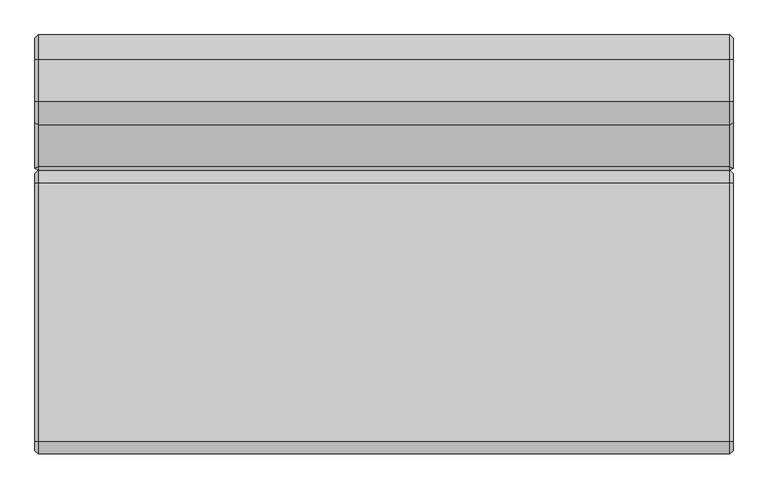
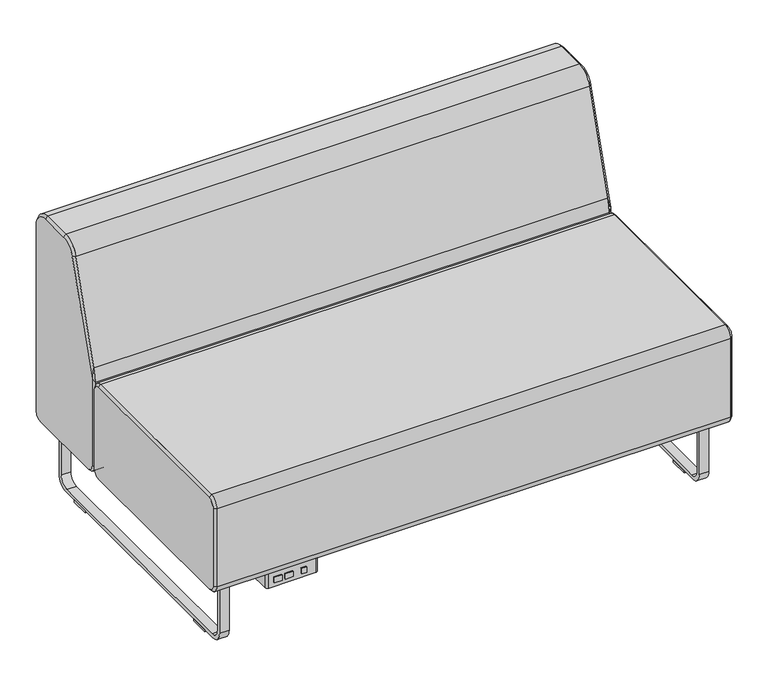
"""IFC4 building model written with IfcOpenShell, lengths in millimetres: furniture geometry."""

import ifcopenshell
import ifcopenshell.guid

model = None  # the IFC model being written
_history = None  # IfcOwnerHistory: only IFC2X3 demands one
_inside = {}  # id of a spatial element -> (the spatial element, [elements in it])
_under = {}  # id of a project, library or spatial element -> (it, [spatial elements below it])
_declared = {}  # id of a project -> (the project, [libraries it declares])
_typed = {}  # id of a type object -> (the type object, [elements of that type])
_made_of = {}  # id of a material, layer set ... -> (it, [elements and type objects made of it])


def new_model(schema):
    """Start an empty IFC model of exactly this schema.

    Asked for "IFC4X3", IfcOpenShell would pick the latest addendum, in which some entities
    have other attributes; the version numbers below select the first issue.
    IFC2X3 requires an IfcOwnerHistory on every rooted entity: one is made here for all.
    """
    global model, _history
    if schema == "IFC4X3":
        model = ifcopenshell.file(schema_version=(4, 3, 0, 0))
    else:
        model = ifcopenshell.file(schema=schema)
    _inside.clear()
    _under.clear()
    _declared.clear()
    _typed.clear()
    _made_of.clear()
    _history = None
    if model.schema == "IFC2X3":
        org = make("IfcOrganization", Name="unknown")
        user = make(
            "IfcPersonAndOrganization",
            ThePerson=make("IfcPerson", FamilyName="unknown"),
            TheOrganization=org,
        )
        app = make(
            "IfcApplication",
            ApplicationDeveloper=org,
            Version="unknown",
            ApplicationFullName="unknown",
            ApplicationIdentifier="unknown",
        )
        _history = make(
            "IfcOwnerHistory",
            OwningUser=user,
            OwningApplication=app,
            ChangeAction="ADDED",
            CreationDate=0,
        )
    return model


def make(cls, **values):
    """One entity of the class cls with the attributes given. An attribute that is None is left unset."""
    return model.create_entity(
        cls, **{name: value for name, value in values.items() if value is not None}
    )


def rooted(cls, **values):
    """An entity with a GlobalId (a new one), such as an element, a storey or a relation."""
    return make(cls, GlobalId=ifcopenshell.guid.new(), OwnerHistory=_history, **values)


def si_unit(unit_type, name, prefix=None):
    """IfcSIUnit, for example si_unit("LENGTHUNIT", "METRE", prefix="MILLI")."""
    return make("IfcSIUnit", UnitType=unit_type, Prefix=prefix, Name=name)


def assignment(units):
    """IfcUnitAssignment: the units of a project."""
    return None if units is None else make("IfcUnitAssignment", Units=units)


def point(xyz):
    """IfcCartesianPoint."""
    return None if xyz is None else make("IfcCartesianPoint", Coordinates=xyz)


def direction(xyz):
    """IfcDirection."""
    return None if xyz is None else make("IfcDirection", DirectionRatios=xyz)


def frame(location, z_axis=None, x_axis=None):
    """IfcAxis2Placement3D, a coordinate frame: its origin and axes. An axis left out is left unset."""
    return make(
        "IfcAxis2Placement3D",
        Location=point(location),
        Axis=direction(z_axis),
        RefDirection=direction(x_axis),
    )


def frame_2d(location, x_axis=None):
    """IfcAxis2Placement2D, a coordinate frame in the plane: its origin and x axis."""
    return make(
        "IfcAxis2Placement2D", Location=point(location), RefDirection=direction(x_axis)
    )


def origin():
    """The frame at (0, 0, 0) with its axes left unset."""
    return frame((0.0, 0.0, 0.0))


def origin_with_axes():
    """The frame at (0, 0, 0) with the z axis (0, 0, 1) and the x axis (1, 0, 0) written out."""
    return frame((0.0, 0.0, 0.0), z_axis=(0.0, 0.0, 1.0), x_axis=(1.0, 0.0, 0.0))


def place(relative_to, where):
    """IfcLocalPlacement: puts the frame where relative to a parent placement (None: the world)."""
    return make(
        "IfcLocalPlacement", PlacementRelTo=relative_to, RelativePlacement=where
    )


def context(
    kind, dimensions, precision=None, world=None, true_north=None, identifier=None
):
    """IfcGeometricRepresentationContext, for example the 3D "Model" context."""
    return make(
        "IfcGeometricRepresentationContext",
        ContextIdentifier=identifier,
        ContextType=kind,
        CoordinateSpaceDimension=dimensions,
        Precision=precision,
        WorldCoordinateSystem=world,
        TrueNorth=true_north,
    )


def project(units=None, contexts=None):
    """IfcProject with its units and contexts."""
    return rooted(
        "IfcProject",
        Name="project",
        RepresentationContexts=contexts,
        UnitsInContext=assignment(units),
    )


def spatial(cls, under=None, at=None, **own):
    """A site, building, storey or space (cls), placed at a placement, below another one or the project."""
    s = rooted(cls, ObjectPlacement=at, **own)
    if under is not None:
        _under.setdefault(under.id(), (under, []))[1].append(s)
    return s


def polyline(points):
    """IfcPolyline through the points."""
    return make("IfcPolyline", Points=[point(p) for p in points])


def circle_curve(where, radius):
    """IfcCircle in the frame where."""
    return make("IfcCircle", Position=where, Radius=radius)


def trimmed(basis, trim1, trim2, sense, master):
    """IfcTrimmedCurve: the piece of a basis curve between two trims."""
    return make(
        "IfcTrimmedCurve",
        BasisCurve=basis,
        Trim1=trim1,
        Trim2=trim2,
        SenseAgreement=sense,
        MasterRepresentation=master,
    )


def segment(curve, same_sense, transition):
    """IfcCompositeCurveSegment."""
    return make(
        "IfcCompositeCurveSegment",
        Transition=transition,
        SameSense=same_sense,
        ParentCurve=curve,
    )


def composite_curve(segments, self_intersect=None):
    """IfcCompositeCurve: segments joined end to end."""
    return make("IfcCompositeCurve", Segments=segments, SelfIntersect=self_intersect)


def outline(outer, holes=None, kind="AREA"):
    """IfcArbitraryClosedProfileDef: a profile drawn as a closed curve; with holes, ...WithVoids."""
    if holes is None:
        return make("IfcArbitraryClosedProfileDef", ProfileType=kind, OuterCurve=outer)
    return make(
        "IfcArbitraryProfileDefWithVoids",
        ProfileType=kind,
        OuterCurve=outer,
        InnerCurves=holes,
    )


def extrude(swept, where, along, depth):
    """IfcExtrudedAreaSolid: the profile swept, set in the frame where, extruded along a direction by depth."""
    return make(
        "IfcExtrudedAreaSolid",
        SweptArea=swept,
        Position=where,
        ExtrudedDirection=direction(along),
        Depth=depth,
    )


def shape(context_of_items, identifier, shape_type, items):
    """IfcShapeRepresentation: the items that make up one representation, for example the "Body"."""
    return make(
        "IfcShapeRepresentation",
        ContextOfItems=context_of_items,
        RepresentationIdentifier=identifier,
        RepresentationType=shape_type,
        Items=items,
    )


def source(mapping_origin, context_of_items, identifier, shape_type, items):
    """IfcRepresentationMap: a shape defined once, which mapped items show again and again."""
    return make(
        "IfcRepresentationMap",
        MappingOrigin=mapping_origin,
        MappedRepresentation=shape(context_of_items, identifier, shape_type, items),
    )


def transform(
    local_origin,
    x_axis=None,
    y_axis=None,
    z_axis=None,
    scale=None,
    scale2=None,
    scale3=None,
    uniform=True,
):
    """IfcCartesianTransformationOperator3D, or its non-uniform kind. x_axis, y_axis, z_axis: its Axis1, 2, 3."""
    if uniform:
        return make(
            "IfcCartesianTransformationOperator3D",
            Axis1=direction(x_axis),
            Axis2=direction(y_axis),
            LocalOrigin=point(local_origin),
            Scale=scale,
            Axis3=direction(z_axis),
        )
    return make(
        "IfcCartesianTransformationOperator3DnonUniform",
        Axis1=direction(x_axis),
        Axis2=direction(y_axis),
        LocalOrigin=point(local_origin),
        Scale=scale,
        Axis3=direction(z_axis),
        Scale2=scale2,
        Scale3=scale3,
    )


def mapped(mapping_source, mapping_target):
    """IfcMappedItem: shows the shape of a source again, moved by a transform."""
    return make(
        "IfcMappedItem", MappingSource=mapping_source, MappingTarget=mapping_target
    )


def made_of(thing, what):
    """Note that an element or type object is made of a material, layer set ...; save() writes the relation."""
    if what is not None:
        _made_of.setdefault(what.id(), (what, []))[1].append(thing)
    return thing


def element(
    cls,
    number,
    at=None,
    inside=None,
    cuts=None,
    type_object=None,
    material=None,
    context=None,
    identifier="Body",
    shape_type=None,
    held_by="IfcProductDefinitionShape",
    body=None,
    shapes=None,
    **own,
):
    """One element of the class cls, such as IfcWall. Its Tag is "e" and its number.

    at: its placement. inside: the storey or other place that contains it. cuts: it is an
    opening in that element (IfcRelVoidsElement). A single representation is given by context,
    identifier, shape_type and body (its items); several are given by shapes. held_by: the class
    of the entity that holds the representations. save() writes the other relations.
    """
    e = rooted(cls, Tag="e%d" % number, ObjectPlacement=at, **own)
    if body is not None:
        shapes = [shape(context, identifier, shape_type, body)]
    if shapes is not None:
        e.Representation = make(held_by, Representations=shapes)
    if inside is not None:
        _inside.setdefault(inside.id(), (inside, []))[1].append(e)
    if cuts is not None:
        rooted(
            "IfcRelVoidsElement", RelatingBuildingElement=cuts, RelatedOpeningElement=e
        )
    if type_object is not None:
        _typed.setdefault(type_object.id(), (type_object, []))[1].append(e)
    return made_of(e, material)


def aggregate(whole, parts):
    """IfcRelAggregates: a whole, such as a stair, and the parts it consists of."""
    return rooted("IfcRelAggregates", RelatingObject=whole, RelatedObjects=parts)


def save(model, path):
    """Write the relations noted so far, then the file.

    IfcRelAggregates (storeys below a building ...), IfcRelContainedInSpatialStructure (elements
    in a storey), IfcRelDefinesByType, IfcRelAssociatesMaterial and IfcRelDeclares: one each for
    every whole, place, type object, material and project.
    """
    for whole, parts in _under.values():
        aggregate(whole, parts)
    for where, things in _inside.values():
        rooted(
            "IfcRelContainedInSpatialStructure",
            RelatedElements=things,
            RelatingStructure=where,
        )
    for kind, things in _typed.values():
        rooted("IfcRelDefinesByType", RelatedObjects=things, RelatingType=kind)
    for what, things in _made_of.values():
        rooted("IfcRelAssociatesMaterial", RelatedObjects=things, RelatingMaterial=what)
    for by, libraries in _declared.values():
        rooted("IfcRelDeclares", RelatingContext=by, RelatedDefinitions=libraries)
    model.write(path)


def plane_surface(at):
    """IfcPlane: the flat surface through the origin of the frame at, square to its z axis."""
    return make("IfcPlane", Position=at)


def revolved_surface(curve, axis_point, axis_direction):
    """IfcSurfaceOfRevolution: the curve turned about the line through axis_point along axis_direction."""
    return make(
        "IfcSurfaceOfRevolution",
        SweptCurve=make("IfcArbitraryOpenProfileDef", ProfileType="CURVE", Curve=curve),
        AxisPosition=make("IfcAxis1Placement", Location=point(axis_point), Axis=direction(axis_direction)),
    )


def spline_surface(u_degree, v_degree, points, u_multiplicities, v_multiplicities, u_knots, v_knots, weights=None):
    """IfcBSplineSurfaceWithKnots; with weights, IfcRationalBSplineSurfaceWithKnots. points: one row for each step in u."""
    own = dict(
        UDegree=u_degree,
        VDegree=v_degree,
        ControlPointsList=[[point(p) for p in row] for row in points],
        SurfaceForm="UNSPECIFIED",
        UClosed=False,
        VClosed=False,
        SelfIntersect=False,
        UMultiplicities=u_multiplicities,
        VMultiplicities=v_multiplicities,
        UKnots=u_knots,
        VKnots=v_knots,
        KnotSpec="UNSPECIFIED",
    )
    if weights is None:
        return make("IfcBSplineSurfaceWithKnots", **own)
    return make("IfcRationalBSplineSurfaceWithKnots", WeightsData=weights, **own)


def advanced_brep(points, edges, surfaces, faces):
    """IfcAdvancedBrep: a solid bounded by faces that lie on surfaces and meet in shared edges.

    An edge is (start, end): straight between two places in points (the first is 0);
    or (start, end, curve); or (start, end, curve, False) where it runs against its curve.
    A face is (place in surfaces, loops), or (place, loops, False) where it looks against
    its surface's normal. A loop lists edges by number (the first is 1), with a minus sign
    where the edge is run from its end to its start. The first loop is the outer one.
    """
    corners = [point(p) for p in points]
    vertices = [make("IfcVertexPoint", VertexGeometry=c) for c in corners]
    made = []
    for start, end, *more in edges:
        made.append(
            make(
                "IfcEdgeCurve",
                EdgeStart=vertices[start],
                EdgeEnd=vertices[end],
                EdgeGeometry=more[0] if more else make("IfcPolyline", Points=[corners[start], corners[end]]),
                SameSense=more[1] if len(more) > 1 else True,
            )
        )
    hull = []
    for where, loops, *sense in faces:
        bounds = []
        for j, loop in enumerate(loops):
            ring = [make("IfcOrientedEdge", EdgeElement=made[abs(k) - 1], Orientation=k > 0) for k in loop]
            bounds.append(
                make(
                    "IfcFaceOuterBound" if j == 0 else "IfcFaceBound",
                    Bound=make("IfcEdgeLoop", EdgeList=ring),
                    Orientation=True,
                )
            )
        hull.append(make("IfcAdvancedFace", Bounds=bounds, FaceSurface=surfaces[where], SameSense=sense[0] if sense else True))
    return make("IfcAdvancedBrep", Outer=make("IfcClosedShell", CfsFaces=hull))


def furniture_0206cb96(model_context):
    return source(origin(), model_context, "Body", "SolidModel", [
        extrude(outline(polyline([(-780.0135905, -367.8609794), (-793.8184165, -367.8609794), (-793.8184165, -364.6859794), (-780.0135905, -364.6859794), (-780.0135905, -367.8609794)])), frame((0.0, 0.0, 148.4693805), z_axis=(0.0, 0.0, 1.0), x_axis=(1.0, 0.0, 0.0)), (0.0, 0.0, 1.0), 15.3288336),
        extrude(outline(polyline([(-816.1260038, -367.8609794), (-837.5402709, -367.8609794), (-837.5402709, -364.6859794), (-816.1260038, -364.6859794), (-816.1260038, -367.8609794)])), frame((0.0, 0.0, 148.4693805), z_axis=(0.0, 0.0, 1.0), x_axis=(1.0, 0.0, 0.0)), (0.0, 0.0, 1.0), 15.3288336),
        extrude(outline(polyline([(-846.3520036, -367.8609794), (-867.2562055, -367.8609794), (-867.2562055, -364.6859794), (-846.3520036, -364.6859794), (-846.3520036, -367.8609794)])), frame((0.0, 0.0, 148.4693805), z_axis=(0.0, 0.0, 1.0), x_axis=(1.0, 0.0, 0.0)), (0.0, 0.0, 1.0), 15.3288336),
        extrude(outline(composite_curve([segment(trimmed(circle_curve(frame_2d((-748.5937537, -295.6297294)), 0.79375), [point((-748.5937537, -294.8359794))], [point((-747.8000037, -295.6297294))], False, "CARTESIAN"), True, "CONTINUOUS"), segment(polyline([(-747.8000037, -295.6297294), (-747.8000037, -358.3359794)]), True, "CONTINUOUS"), segment(trimmed(circle_curve(frame_2d((-754.1500037, -358.3359794)), 6.35), [point((-747.8000037, -358.3359794))], [point((-754.1500037, -364.6859794))], False, "CARTESIAN"), True, "CONTINUOUS"), segment(polyline([(-754.1500037, -364.6859794), (-881.1500037, -364.6859794)]), True, "CONTINUOUS"), segment(trimmed(circle_curve(frame_2d((-881.1500037, -358.3359794)), 6.35), [point((-881.1500037, -364.6859794))], [point((-887.5000037, -358.3359794))], False, "CARTESIAN"), True, "CONTINUOUS"), segment(polyline([(-887.5000037, -358.3359794), (-887.5000037, -295.6297294)]), True, "CONTINUOUS"), segment(trimmed(circle_curve(frame_2d((-886.7062537, -295.6297294)), 0.79375), [point((-887.5000037, -295.6297294))], [point((-886.7062537, -294.8359794))], False, "CARTESIAN"), True, "CONTINUOUS"), segment(polyline([(-886.7062537, -294.8359794), (-748.5937537, -294.8359794)]), True, "CONTINUOUS")], self_intersect=False)), frame((0.0, 0.0, 136.525), z_axis=(0.0, 0.0, 1.0), x_axis=(1.0, 0.0, 0.0)), (0.0, 0.0, 1.0), 44.45),
        extrude(outline(composite_curve([segment(trimmed(circle_curve(frame_2d((-738.2750037, -304.3609794)), 3.175), [point((-738.2750037, -301.1859794))], [point((-735.1000037, -304.3609794))], False, "CARTESIAN"), True, "CONTINUOUS"), segment(polyline([(-735.1000037, -304.3609794), (-735.1000037, -355.1609794)]), True, "CONTINUOUS"), segment(trimmed(circle_curve(frame_2d((-738.2750037, -355.1609794)), 3.175), [point((-735.1000037, -355.1609794))], [point((-738.2750037, -358.3359794))], False, "CARTESIAN"), True, "CONTINUOUS"), segment(polyline([(-738.2750037, -358.3359794), (-897.0250037, -358.3359794)]), True, "CONTINUOUS"), segment(trimmed(circle_curve(frame_2d((-897.0250037, -355.1609794)), 3.175), [point((-897.0250037, -358.3359794))], [point((-900.2000037, -355.1609794))], False, "CARTESIAN"), True, "CONTINUOUS"), segment(polyline([(-900.2000037, -355.1609794), (-900.2000037, -304.3609794)]), True, "CONTINUOUS"), segment(trimmed(circle_curve(frame_2d((-897.0250037, -304.3609794)), 3.175), [point((-900.2000037, -304.3609794))], [point((-897.0250037, -301.1859794))], False, "CARTESIAN"), True, "CONTINUOUS"), segment(polyline([(-897.0250037, -301.1859794), (-738.2750037, -301.1859794)]), True, "CONTINUOUS")], self_intersect=False)), frame((0.0, 0.0, 180.975), z_axis=(0.0, 0.0, 1.0), x_axis=(1.0, 0.0, 0.0)), (0.0, 0.0, 1.0), 3.175),
        advanced_brep(
        [(-1041.4, 151.6980231, 450.85), (-1041.4, 170.7480231, 431.8), (-1041.4, 170.7480231, 209.55), (-1041.4, 151.6980231, 190.5), (-1041.4, -364.6859794, 190.5), (-1041.4, -383.7359794, 209.55), (-1041.4, -383.7359794, 431.8), (-1041.4, -364.6859794, 450.85), (-1035.05, 151.6980231, 457.2), (-1035.05, -364.6859794, 457.2), (-1035.05, -390.0859794, 431.8), (-1035.05, -390.0859794, 209.55), (-1035.05, -364.6859794, 184.15), (-1035.05, 151.6980231, 184.15), (-1035.05, 177.0980231, 209.55), (-1035.05, 177.0980231, 431.8)],
        [
            (0, 1, circle_curve(frame((-1041.4, 151.6980231, 431.8), z_axis=(-1.0, -2.768452134205448e-12, 0.0), x_axis=(0.0, 0.0, 1.0)), 19.05)),
            (1, 2),
            (2, 3, circle_curve(frame((-1041.4, 151.6980231, 209.55), z_axis=(-1.0, -3.1921132404024314e-12, 0.0), x_axis=(-3.1921549777551463e-12, 1.0, 0.0)), 19.05)),
            (3, 4),
            (4, 5, circle_curve(frame((-1041.4, -364.6859794, 209.55), z_axis=(-1.0, 0.0, 0.0), x_axis=(0.0, 0.0, -1.0)), 19.05)),
            (5, 6),
            (6, 7, circle_curve(frame((-1041.4, -364.6859794, 431.8), z_axis=(-1.0, 0.0, 0.0), x_axis=(0.0, -1.0, 0.0)), 19.05)),
            (7, 0),
            (8, 9),
            (9, 10, circle_curve(frame((-1035.05, -364.6859794, 431.8), z_axis=(1.0, 0.0, 0.0), x_axis=(0.0, -1.0, 0.0)), 25.4)),
            (10, 11),
            (11, 12, circle_curve(frame((-1035.05, -364.6859794, 209.55), z_axis=(1.0, 0.0, 0.0), x_axis=(0.0, 0.0, -1.0)), 25.4)),
            (12, 13),
            (13, 14, circle_curve(frame((-1035.05, 151.6980231, 209.55), z_axis=(1.0, 3.1921132404024314e-12, 0.0), x_axis=(-3.1921549777551463e-12, 1.0, 0.0)), 25.4)),
            (14, 15),
            (15, 8, circle_curve(frame((-1035.05, 151.6980231, 431.8), z_axis=(1.0, 2.768452134205448e-12, 0.0), x_axis=(0.0, 0.0, 1.0)), 25.4)),
            (14, 2),
            (1, 15),
            (12, 4),
            (3, 13),
            (10, 6),
            (5, 11),
            (8, 0),
            (7, 9),
        ],
        [
            plane_surface(frame((-1041.4, -106.4939782, 320.675), z_axis=(-1.0, 0.0, 0.0), x_axis=(0.0, 1.0, 0.0))),
            plane_surface(frame((-1035.05, -106.4939782, 320.675), z_axis=(1.0, 0.0, 0.0), x_axis=(0.0, 1.0, 0.0))),
            plane_surface(frame((-1035.05, 177.0980231, 320.675), z_axis=(-0.7071067811876215, 0.7071067811854735, 0.0), x_axis=(0.0, 0.0, -1.0))),
            plane_surface(frame((-1035.05, -106.4939782, 184.15), z_axis=(-0.7071067811863855, 0.0, -0.7071067811867096), x_axis=(0.0, -1.0, 0.0))),
            plane_surface(frame((-1035.05, -390.0859794, 320.675), z_axis=(-0.7071067811866266, -0.7071067811864684, 0.0), x_axis=(0.0, 0.0, 1.0))),
            plane_surface(frame((-1035.05, -106.4939782, 457.2), z_axis=(-0.7071067811865928, 0.0, 0.7071067811865024), x_axis=(0.0, 1.0, 0.0))),
            revolved_surface(polyline([(-1041.4, 151.6980231, 450.8499999999999), (-1035.0499999999297, 151.6980231, 457.2000000000703)]), (-1060.45, 151.6980231, 431.8), (1.0, 2.768452134205448e-12, 0.0)),
            revolved_surface(polyline([(-1041.4000000000608, 170.74802309993908, 209.55), (-1035.05, 177.0980231, 209.55)]), (-1060.45, 151.6980231, 209.55), (1.0, 3.1921132404024314e-12, 0.0)),
            revolved_surface(polyline([(-1041.4, -364.6859794, 190.5000000000001), (-1035.05, -364.6859794, 184.15)]), (-1060.45, -364.6859794, 209.55), (1.0, 0.0, 0.0)),
            revolved_surface(polyline([(-1041.4, -383.7359793999999, 431.8), (-1035.05, -390.0859794, 431.8)]), (-1060.45, -364.6859794, 431.8), (1.0, 0.0, 0.0)),
        ],
        [
            (0, [[1, 2, 3, 4, 5, 6, 7, 8]]),
            (1, [[9, 10, 11, 12, 13, 14, 15, 16]]),
            (2, [[-15, 17, -2, 18]]),
            (3, [[-13, 19, -4, 20]]),
            (4, [[-11, 21, -6, 22]]),
            (5, [[-9, 23, -8, 24]]),
            (6, [[-16, -18, -1, -23]]),
            (7, [[-14, -20, -3, -17]]),
            (8, [[-12, -22, -5, -19]]),
            (9, [[-10, -24, -7, -21]]),
        ],
    ),
        advanced_brep(
        [(355.6, 398.1140214, 781.05), (355.6, 315.3219472, 781.05), (355.6, 273.6633925, 750.4487484), (355.6, 181.6267453, 456.75942), (355.6, 181.6267453, 209.55), (355.6, 200.6767453, 190.5), (355.6, 422.7140206, 190.5), (355.6, 441.7640206, 209.55), (355.6, 441.7640206, 737.4000009), (349.25, 398.1140214, 787.4), (349.25, 448.1140206, 737.4000009), (349.25, 448.1140206, 209.55), (349.25, 422.7140206, 184.15), (349.25, 202.4980231, 184.15), (349.25, 177.0980231, 209.55), (349.25, 177.0980231, 448.1421227), (349.25, 183.8862715, 485.2041409), (349.25, 267.6039664, 752.3476572), (349.25, 315.3219472, 787.4)],
        [
            (0, 1),
            (1, 2, circle_curve(frame((355.6, 315.3219472, 737.39375), z_axis=(1.0, 0.0, 0.0), x_axis=(0.0, 0.0, 1.0)), 43.65625)),
            (2, 3),
            (3, 4),
            (4, 5, circle_curve(frame((355.6, 200.6767453, 209.55), z_axis=(1.0, 0.0, 0.0), x_axis=(0.0, -1.0, 0.0)), 19.05)),
            (5, 6),
            (6, 7, circle_curve(frame((355.6, 422.7140206, 209.55), z_axis=(1.0, -2.1103119252153097e-12, 3.346656285442461e-12), x_axis=(3.3466520756728202e-12, 0.0, -1.0)), 19.05)),
            (7, 8),
            (8, 0, circle_curve(frame((355.6, 398.1140214, 737.4000009), z_axis=(1.0, 2.2488677586890422e-12, 0.0), x_axis=(-2.2488434285652812e-12, 1.0, 0.0)), 43.6499991)),
            (9, 10, circle_curve(frame((349.25, 398.1140214, 737.4000009), z_axis=(-1.0, -2.2488677586890422e-12, 0.0), x_axis=(-2.2488434285652812e-12, 1.0, 0.0)), 49.9999991)),
            (10, 11),
            (11, 12, circle_curve(frame((349.25, 422.7140206, 209.55), z_axis=(-1.0, 2.1103119252153097e-12, -3.346656285442461e-12), x_axis=(3.3466520756728202e-12, 0.0, -1.0)), 25.4)),
            (12, 13),
            (13, 14, circle_curve(frame((349.25, 202.4980231, 209.55), z_axis=(-1.0, 0.0, 0.0), x_axis=(0.0, -1.0, 0.0)), 25.4)),
            (14, 15),
            (15, 16, circle_curve(frame((349.25, 330.963593, 439.112907), z_axis=(-1.0, 0.0, 0.0), x_axis=(0.0, -1.0, 0.0)), 154.1302707)),
            (16, 17),
            (17, 18, circle_curve(frame((349.25, 315.3219472, 737.39375), z_axis=(-1.0, 0.0, 0.0), x_axis=(0.0, 0.0, 1.0)), 50.00625)),
            (18, 9),
            (18, 1),
            (0, 9),
            (17, 2),
            (16, 3),
            (15, 3),
            (14, 4),
            (13, 5),
            (12, 6),
            (11, 7),
            (10, 8),
        ],
        [
            plane_surface(frame((355.6, 317.4746287, 478.534241), z_axis=(1.0, 0.0, 0.0), x_axis=(0.0, 0.0, 1.0))),
            plane_surface(frame((349.25, 304.0562338, 478.5293922), z_axis=(-1.0, 0.0, 0.0), x_axis=(0.0, 0.0, 1.0))),
            plane_surface(frame((349.25, 356.7179843, 787.4), z_axis=(0.7071067811879643, 0.0, 0.7071067811851307), x_axis=(0.0, -1.0, 0.0))),
            revolved_surface(polyline([(355.6, 315.3219472, 781.05), (349.25, 315.3219472, 787.4)]), (399.25625, 315.3219472, 737.39375), (-1.0, 0.0, 0.0)),
            plane_surface(frame((349.25, 225.745119, 618.7758991), z_axis=(0.707106781188229, -0.6747498133214669, 0.21145375243837036), x_axis=(0.0, -0.29904076451373696, -0.9542403372102018))),
            spline_surface(2, 1, [[(349.25, 183.8862715, 485.2041409), (355.6, 181.6267453, 456.75942)], [(349.25, 178.20999802483482, 467.09112836245816), (355.6, 181.6267453, 456.75942)], [(349.25, 177.0980231, 448.1421227), (355.6, 181.6267453, 456.75942)]], [3, 3], [2, 2], [0.0, 1.0], [0.0, 1.0], weights=[[1.0, 1.0], [0.9925018543197952, 0.9925018543197952], [1.0, 1.0]]),
            plane_surface(frame((349.25, 177.0980231, 328.8460613), z_axis=(0.5806444204862116, -0.8141572679514882, 0.0), x_axis=(0.0, 0.0, -1.0))),
            spline_surface(2, 1, [[(349.25, 177.0980231, 209.55), (355.6, 181.6267453, 209.55)], [(349.25, 177.0980231, 184.15), (355.6, 181.6267453, 190.50000000000003)], [(349.25, 202.4980231, 184.15), (355.6, 200.6767453, 190.5)]], [3, 3], [2, 2], [0.0, 1.0], [0.0, 1.0], weights=[[1.0, 1.0], [0.7071067811865476, 0.7071067811865476], [1.0, 1.0]]),
            plane_surface(frame((349.25, 312.6060218, 184.15), z_axis=(0.70710678118765, 0.0, -0.707106781185445), x_axis=(0.0, 1.0, 0.0))),
            revolved_surface(polyline([(355.6000000000638, 422.7140206, 190.50000000006378), (349.25, 422.7140206, 184.15)]), (374.65, 422.7140206, 209.55), (-1.0, 2.1103119252153097e-12, -3.346656285442461e-12)),
            plane_surface(frame((349.25, 448.1140206, 473.4750004), z_axis=(0.7071067811879643, 0.7071067811851307, 0.0), x_axis=(0.0, 0.0, 1.0))),
            revolved_surface(polyline([(355.6, 441.76402058729997, 737.4000009), (349.24999999988756, 448.11402060011244, 737.4000009)]), (399.2499991, 398.1140214, 737.4000009), (-1.0, -2.2488677586890422e-12, 0.0)),
        ],
        [
            (0, [[1, 2, 3, 4, 5, 6, 7, 8, 9]]),
            (1, [[10, 11, 12, 13, 14, 15, 16, 17, 18, 19]]),
            (2, [[-19, 20, -1, 21]]),
            (3, [[-18, 22, -2, -20]]),
            (4, [[-17, 23, -3, -22]]),
            (5, [[-16, 24, -23]]),
            (6, [[-15, 25, -4, -24]]),
            (7, [[-14, 26, -5, -25]]),
            (8, [[-13, 27, -6, -26]]),
            (9, [[-12, 28, -7, -27]]),
            (10, [[-11, 29, -8, -28]]),
            (11, [[-10, -21, -9, -29]]),
        ],
    ),
        advanced_brep(
        [(355.6, 151.6980231, 450.85), (355.6, -364.6859794, 450.85), (355.6, -383.7359794, 431.8), (355.6, -383.7359794, 209.55), (355.6, -364.6859794, 190.5), (355.6, 151.6980231, 190.5), (355.6, 170.7480231, 209.55), (355.6, 170.7480231, 431.8), (349.25, 151.6980231, 457.2), (349.25, 177.0980231, 431.8), (349.25, 177.0980231, 209.55), (349.25, 151.6980231, 184.15), (349.25, -364.6859794, 184.15), (349.25, -390.0859794, 209.55), (349.25, -390.0859794, 431.8), (349.25, -364.6859794, 457.2)],
        [
            (0, 1),
            (1, 2, circle_curve(frame((355.6, -364.6859794, 431.8), z_axis=(1.0, 0.0, 0.0), x_axis=(0.0, 0.0, 1.0)), 19.05)),
            (2, 3),
            (3, 4, circle_curve(frame((355.6, -364.6859794, 209.55), z_axis=(1.0, 0.0, 0.0), x_axis=(0.0, -1.0, 0.0)), 19.05)),
            (4, 5),
            (5, 6, circle_curve(frame((355.6, 151.6980231, 209.55), z_axis=(1.0, -2.8617108682842753e-12, 0.0), x_axis=(0.0, 0.0, -1.0)), 19.05)),
            (6, 7),
            (7, 0, circle_curve(frame((355.6, 151.6980231, 431.8), z_axis=(1.0, -2.4433788326040377e-12, 0.0), x_axis=(2.443377884202076e-12, 1.0, 0.0)), 19.05)),
            (8, 9, circle_curve(frame((349.25, 151.6980231, 431.8), z_axis=(-1.0, 2.4433788326040377e-12, 0.0), x_axis=(2.443377884202076e-12, 1.0, 0.0)), 25.4)),
            (9, 10),
            (10, 11, circle_curve(frame((349.25, 151.6980231, 209.55), z_axis=(-1.0, 2.8617108682842753e-12, 0.0), x_axis=(0.0, 0.0, -1.0)), 25.4)),
            (11, 12),
            (12, 13, circle_curve(frame((349.25, -364.6859794, 209.55), z_axis=(-1.0, 0.0, 0.0), x_axis=(0.0, -1.0, 0.0)), 25.4)),
            (13, 14),
            (14, 15, circle_curve(frame((349.25, -364.6859794, 431.8), z_axis=(-1.0, 0.0, 0.0), x_axis=(0.0, 0.0, 1.0)), 25.4)),
            (15, 8),
            (9, 7),
            (6, 10),
            (11, 5),
            (4, 12),
            (13, 3),
            (2, 14),
            (15, 1),
            (0, 8),
        ],
        [
            plane_surface(frame((355.6, -106.4939782, 320.675), z_axis=(1.0, 0.0, 0.0), x_axis=(0.0, -1.0, 0.0))),
            plane_surface(frame((349.25, -106.4939782, 320.675), z_axis=(-1.0, 0.0, 0.0), x_axis=(0.0, -1.0, 0.0))),
            plane_surface(frame((349.25, 177.0980231, 320.675), z_axis=(0.7071067811887972, 0.7071067811842979, 0.0), x_axis=(0.0, 0.0, 1.0))),
            plane_surface(frame((349.25, -106.4939782, 184.15), z_axis=(0.7071067811876705, 0.0, -0.7071067811854246), x_axis=(0.0, 1.0, 0.0))),
            plane_surface(frame((349.25, -390.0859794, 320.675), z_axis=(0.7071067811879042, -0.707106781185191, 0.0), x_axis=(0.0, 0.0, -1.0))),
            plane_surface(frame((349.25, -106.4939782, 457.2), z_axis=(0.7071067811878551, 0.0, 0.70710678118524), x_axis=(0.0, -1.0, 0.0))),
            revolved_surface(polyline([(355.6000000000466, 170.74802309995343, 431.8), (349.25, 177.0980231, 431.8)]), (374.65, 151.6980231, 431.8), (-1.0, 2.4433788326040377e-12, 0.0)),
            revolved_surface(polyline([(355.6, 151.6980231, 190.50000000000003), (349.2499999999273, 151.6980231, 184.14999999992733)]), (374.65, 151.6980231, 209.55), (-1.0, 2.8617108682842753e-12, 0.0)),
            revolved_surface(polyline([(355.6, -383.73597939999996, 209.55), (349.25, -390.0859794, 209.55)]), (374.65, -364.6859794, 209.55), (-1.0, 0.0, 0.0)),
            revolved_surface(polyline([(355.6, -364.6859794, 450.84999999999997), (349.25, -364.6859794, 457.2)]), (374.65, -364.6859794, 431.8), (-1.0, 0.0, 0.0)),
        ],
        [
            (0, [[1, 2, 3, 4, 5, 6, 7, 8]]),
            (1, [[9, 10, 11, 12, 13, 14, 15, 16]]),
            (2, [[-10, 17, -7, 18]]),
            (3, [[-12, 19, -5, 20]]),
            (4, [[-14, 21, -3, 22]]),
            (5, [[-16, 23, -1, 24]]),
            (6, [[-9, -24, -8, -17]]),
            (7, [[-11, -18, -6, -19]]),
            (8, [[-13, -20, -4, -21]]),
            (9, [[-15, -22, -2, -23]]),
        ],
    ),
        extrude(outline(composite_curve([segment(polyline([(-364.6859794, 457.2), (151.6980231, 457.2)]), True, "CONTINUOUS"), segment(trimmed(circle_curve(frame_2d((151.6980231, 431.8)), 25.4), [point((151.6980231, 457.2))], [point((177.0980231, 431.8))], False, "CARTESIAN"), True, "CONTINUOUS"), segment(polyline([(177.0980231, 431.8), (177.0980231, 209.55)]), True, "CONTINUOUS"), segment(trimmed(circle_curve(frame_2d((151.6980231, 209.55)), 25.4), [point((177.0980231, 209.55))], [point((151.6980231, 184.15))], False, "CARTESIAN"), True, "CONTINUOUS"), segment(polyline([(151.6980231, 184.15), (-364.6859794, 184.15)]), True, "CONTINUOUS"), segment(trimmed(circle_curve(frame_2d((-364.6859794, 209.55)), 25.4), [point((-364.6859794, 184.15))], [point((-390.0859794, 209.55))], False, "CARTESIAN"), True, "CONTINUOUS"), segment(polyline([(-390.0859794, 209.55), (-390.0859794, 431.8)]), True, "CONTINUOUS"), segment(trimmed(circle_curve(frame_2d((-364.6859794, 431.8)), 25.4), [point((-390.0859794, 431.8))], [point((-364.6859794, 457.2))], False, "CARTESIAN"), True, "CONTINUOUS")], self_intersect=False)), frame((-1035.05, 0.0, 0.0), z_axis=(1.0, 0.0, 0.0), x_axis=(0.0, 1.0, 0.0)), (0.0, 0.0, 1.0), 1384.3),
        advanced_brep(
        [(-1041.4, 441.7640206, 737.4000009), (-1041.4, 441.7640206, 209.55), (-1041.4, 422.7140206, 190.5), (-1041.4, 200.6767453, 190.5), (-1041.4, 181.6267453, 209.55), (-1041.4, 181.6267453, 456.75942), (-1041.4, 273.6633925, 750.4487484), (-1041.4, 315.3219472, 781.05), (-1041.4, 398.1140214, 781.05), (-1035.05, 448.1140206, 737.4000009), (-1035.05, 398.1140214, 787.4), (-1035.05, 315.3219472, 787.4), (-1035.05, 267.6039664, 752.3476572), (-1035.05, 183.8862715, 485.2041409), (-1035.05, 177.0980231, 448.1421227), (-1035.05, 177.0980231, 209.55), (-1035.05, 202.4980231, 184.15), (-1035.05, 422.7140206, 184.15), (-1035.05, 448.1140206, 209.55)],
        [
            (0, 1),
            (1, 2, circle_curve(frame((-1041.4, 422.7140206, 209.55), z_axis=(-1.0, -2.3874235921538688e-12, 0.0), x_axis=(-2.38748259267376e-12, 1.0, 0.0)), 19.05)),
            (2, 3),
            (3, 4, circle_curve(frame((-1041.4, 200.6767453, 209.55), z_axis=(-1.0, 0.0, 0.0), x_axis=(0.0, -1.0, 0.0)), 19.05)),
            (4, 5),
            (5, 6),
            (6, 7, circle_curve(frame((-1041.4, 315.3219472, 737.39375), z_axis=(-1.0, 0.0, 0.0), x_axis=(0.0, -0.9542403372102007, 0.29904076451374073)), 43.65625)),
            (7, 8),
            (8, 0, circle_curve(frame((-1041.4, 398.1140214, 737.4000009), z_axis=(-1.0, 0.0, 0.0), x_axis=(0.0, 0.0, 1.0)), 43.6499991)),
            (9, 10, circle_curve(frame((-1035.05, 398.1140214, 737.4000009), z_axis=(1.0, 0.0, 0.0), x_axis=(0.0, 0.0, 1.0)), 49.9999991)),
            (10, 11),
            (11, 12, circle_curve(frame((-1035.05, 315.3219472, 737.39375), z_axis=(1.0, 0.0, 0.0), x_axis=(0.0, -0.9542403372102007, 0.29904076451374073)), 50.00625)),
            (12, 13),
            (13, 14, circle_curve(frame((-1035.05, 330.963593, 439.112907), z_axis=(1.0, 0.0, 0.0), x_axis=(0.0, -1.0, 0.0)), 154.1302707)),
            (14, 15),
            (15, 16, circle_curve(frame((-1035.05, 202.4980231, 209.55), z_axis=(1.0, 0.0, 0.0), x_axis=(0.0, -1.0, 0.0)), 25.4)),
            (16, 17),
            (17, 18, circle_curve(frame((-1035.05, 422.7140206, 209.55), z_axis=(1.0, 2.3874235921538688e-12, 0.0), x_axis=(-2.38748259267376e-12, 1.0, 0.0)), 25.4)),
            (18, 9),
            (18, 1),
            (0, 9),
            (10, 8),
            (7, 11),
            (16, 3),
            (2, 17),
            (14, 5),
            (4, 15),
            (13, 5),
            (12, 6),
        ],
        [
            plane_surface(frame((-1041.4, 317.4746287, 478.534241), z_axis=(-1.0, 0.0, 0.0), x_axis=(0.0, 1.0, 0.0))),
            plane_surface(frame((-1035.05, 304.0562338, 478.5293922), z_axis=(1.0, 0.0, 0.0), x_axis=(0.0, 1.0, 0.0))),
            plane_surface(frame((-1035.05, 448.1140206, 473.4750004), z_axis=(-0.7071067811874896, 0.7071067811856054, 0.0), x_axis=(0.0, 0.0, -1.0))),
            plane_surface(frame((-1035.05, 356.7179843, 787.4), z_axis=(-0.7071067811866381, 0.0, 0.7071067811864571), x_axis=(0.0, 1.0, 0.0))),
            revolved_surface(polyline([(-1041.4, 398.1140214, 781.0499999999998), (-1035.05, 398.1140214, 787.4)]), (-1085.0499991, 398.1140214, 737.4000009), (1.0, 0.0, 0.0)),
            plane_surface(frame((-1035.05, 312.6060218, 184.15), z_axis=(-0.7071067811866363, 0.0, -0.7071067811864588), x_axis=(0.0, -1.0, 0.0))),
            plane_surface(frame((-1035.05, 177.0980231, 328.8460613), z_axis=(-0.5806444204825668, -0.8141572679540878, 0.0), x_axis=(0.0, 0.0, 1.0))),
            revolved_surface(polyline([(-1041.4000000000456, 441.7640205999544, 209.55), (-1035.05, 448.1140206, 209.55)]), (-1060.45, 422.7140206, 209.55), (1.0, 2.3874235921538688e-12, 0.0)),
            spline_surface(2, 1, [[(-1035.05, 202.4980231, 184.15), (-1041.4, 200.6767453, 190.5)], [(-1035.05, 177.0980231, 184.15), (-1041.4, 181.62674529999998, 190.5)], [(-1035.05, 177.0980231, 209.55), (-1041.4, 181.6267453, 209.55)]], [3, 3], [2, 2], [0.0, 1.0], [0.0, 1.0], weights=[[1.0, 1.0], [0.7071067811865476, 0.7071067811865476], [1.0, 1.0]]),
            spline_surface(2, 1, [[(-1035.05, 177.0980231, 448.1421227), (-1041.4, 181.6267453, 456.75942)], [(-1035.05, 178.2099980584638, 467.0911283562987), (-1041.4, 181.6267453, 456.75942)], [(-1035.05, 183.8862715, 485.2041409), (-1041.4, 181.6267453, 456.75942)]], [3, 3], [2, 2], [0.0, 1.0], [0.0, 1.0], weights=[[1.0, 1.0], [0.9925018544290458, 0.9925018544290458], [1.0, 1.0]]),
            plane_surface(frame((-1035.05, 225.745119, 618.7758991), z_axis=(-0.7071067811865468, -0.6747498133230722, 0.2114537524388732), x_axis=(0.0, 0.2990407645137367, 0.954240337210202))),
            revolved_surface(polyline([(-1041.4, 273.6633925333334, 750.4487483492063), (-1035.05, 267.6039664, 752.3476572)]), (-1085.05625, 315.3219472, 737.39375), (1.0, 0.0, 0.0)),
        ],
        [
            (0, [[1, 2, 3, 4, 5, 6, 7, 8, 9]]),
            (1, [[10, 11, 12, 13, 14, 15, 16, 17, 18, 19]]),
            (2, [[-19, 20, -1, 21]]),
            (3, [[-11, 22, -8, 23]]),
            (4, [[-10, -21, -9, -22]]),
            (5, [[-17, 24, -3, 25]]),
            (6, [[-15, 26, -5, 27]]),
            (7, [[-18, -25, -2, -20]]),
            (8, [[-16, -27, -4, -24]]),
            (9, [[-14, 28, -26]]),
            (10, [[-13, 29, -6, -28]]),
            (11, [[-12, -23, -7, -29]]),
        ],
    ),
        extrude(outline(composite_curve([segment(polyline([(448.1140206, 737.4000009), (448.1140206, 209.55)]), True, "CONTINUOUS"), segment(trimmed(circle_curve(frame_2d((422.7140206, 209.55)), 25.4), [point((448.1140206, 209.55))], [point((422.7140206, 184.15))], False, "CARTESIAN"), True, "CONTINUOUS"), segment(polyline([(422.7140206, 184.15), (202.4980231, 184.15)]), True, "CONTINUOUS"), segment(trimmed(circle_curve(frame_2d((202.4980231, 209.55)), 25.4), [point((202.4980231, 184.15))], [point((177.0980231, 209.55))], False, "CARTESIAN"), True, "CONTINUOUS"), segment(polyline([(177.0980231, 209.55), (177.0980231, 448.1421227)]), True, "CONTINUOUS"), segment(trimmed(circle_curve(frame_2d((330.963593, 439.112907)), 154.1302707), [point((177.0980231, 448.1421227))], [point((183.8862715, 485.2041409))], False, "CARTESIAN"), True, "CONTINUOUS"), segment(polyline([(183.8862715, 485.2041409), (267.6039664, 752.3476572)]), True, "CONTINUOUS"), segment(trimmed(circle_curve(frame_2d((315.3219472, 737.39375)), 50.00625), [point((267.6039664, 752.3476572))], [point((315.3219472, 787.4))], False, "CARTESIAN"), True, "CONTINUOUS"), segment(polyline([(315.3219472, 787.4), (398.1140214, 787.4)]), True, "CONTINUOUS"), segment(trimmed(circle_curve(frame_2d((398.1140214, 737.4000009)), 49.9999991), [point((398.1140214, 787.4))], [point((448.1140206, 737.4000009))], False, "CARTESIAN"), True, "CONTINUOUS")], self_intersect=False)), frame((-1035.05, 0.0, 0.0), z_axis=(1.0, 0.0, 0.0), x_axis=(0.0, 1.0, 0.0)), (0.0, 0.0, 1.0), 1384.3),
        extrude(outline(composite_curve([segment(trimmed(circle_curve(frame_2d((371.5140283, 38.1)), 31.75), [point((403.2640283, 38.1))], [point((371.5140283, 6.35))], False, "CARTESIAN"), True, "CONTINUOUS"), segment(polyline([(371.5140283, 6.35), (-313.4859554, 6.35)]), True, "CONTINUOUS"), segment(trimmed(circle_curve(frame_2d((-313.4859554, 38.1)), 31.75), [point((-313.4859554, 6.35))], [point((-345.2359554, 38.1))], False, "CARTESIAN"), True, "CONTINUOUS"), segment(polyline([(-345.2359554, 38.1), (-345.2359554, 177.8), (-335.7109554, 177.8), (-335.7109554, 41.275)]), True, "CONTINUOUS"), segment(trimmed(circle_curve(frame_2d((-310.3109554, 41.275)), 25.4), [point((-335.7109554, 41.275))], [point((-310.3109554, 15.875))], True, "CARTESIAN"), True, "CONTINUOUS"), segment(polyline([(-310.3109554, 15.875), (368.3390283, 15.875)]), True, "CONTINUOUS"), segment(trimmed(circle_curve(frame_2d((368.3390283, 41.275)), 25.4), [point((368.3390283, 15.875))], [point((393.7390283, 41.275))], True, "CARTESIAN"), True, "CONTINUOUS"), segment(polyline([(393.7390283, 41.275), (393.7390283, 177.8), (403.2640283, 177.8), (403.2640283, 38.1)]), True, "CONTINUOUS")], self_intersect=False)), frame((290.5999947, 0.0, 0.0), z_axis=(1.0, 0.0, 0.0), x_axis=(0.0, 1.0, 0.0)), (0.0, 0.0, 1.0), 25.3999758),
        extrude(outline(polyline([(255.6749825, -345.2359554), (255.6749825, -284.9110039), (315.9999704, -284.9110039), (315.9999704, -345.2359554), (255.6749825, -345.2359554)])), frame((0.0, 0.0, 177.8), z_axis=(0.0, 0.0, 1.0), x_axis=(1.0, 0.0, 0.0)), (0.0, 0.0, 1.0), 6.35),
        extrude(outline(polyline([(255.6749825, 403.2640283), (315.9999704, 403.2640283), (315.9999704, 342.9390268), (255.6749825, 342.9390268), (255.6749825, 403.2640283)])), frame((0.0, 0.0, 177.8), z_axis=(0.0, 0.0, 1.0), x_axis=(1.0, 0.0, 0.0)), (0.0, 0.0, 1.0), 6.35),
        extrude(outline(polyline([(290.5999947, -275.3109358), (290.5999947, -224.5109842), (315.9999704, -224.5109842), (315.9999704, -275.3109358), (290.5999947, -275.3109358)])), origin_with_axes(), (0.0, 0.0, 1.0), 6.35),
        extrude(outline(polyline([(290.5999947, 333.3390314), (315.9999704, 333.3390314), (315.9999704, 282.5390253), (290.5999947, 282.5390253), (290.5999947, 333.3390314)])), origin_with_axes(), (0.0, 0.0, 1.0), 6.35),
        extrude(outline(polyline([(-941.4750007, -345.2359554), (-1001.8000022, -345.2359554), (-1001.8000022, -284.9110039), (-941.4750007, -284.9110039), (-941.4750007, -345.2359554)])), frame((0.0, 0.0, 177.8), z_axis=(0.0, 0.0, 1.0), x_axis=(1.0, 0.0, 0.0)), (0.0, 0.0, 1.0), 6.35),
        extrude(outline(polyline([(-941.4750007, 403.2640283), (-941.4750007, 342.9390268), (-1001.8000022, 342.9390268), (-1001.8000022, 403.2640283), (-941.4750007, 403.2640283)])), frame((0.0, 0.0, 177.8), z_axis=(0.0, 0.0, 1.0), x_axis=(1.0, 0.0, 0.0)), (0.0, 0.0, 1.0), 6.35),
        extrude(outline(polyline([(-976.4000037, -275.3109358), (-1001.8000022, -275.3109358), (-1001.8000022, -224.5109842), (-976.4000037, -224.5109842), (-976.4000037, -275.3109358)])), origin_with_axes(), (0.0, 0.0, 1.0), 6.35),
        extrude(outline(polyline([(-976.4000037, 333.3390314), (-976.4000037, 282.5390253), (-1001.8000022, 282.5390253), (-1001.8000022, 333.3390314), (-976.4000037, 333.3390314)])), origin_with_axes(), (0.0, 0.0, 1.0), 6.35),
        extrude(outline(composite_curve([segment(trimmed(circle_curve(frame_2d((371.5140283, 38.1)), 31.75), [point((403.2640283, 38.1))], [point((371.5140283, 6.35))], False, "CARTESIAN"), True, "CONTINUOUS"), segment(polyline([(371.5140283, 6.35), (-313.4859554, 6.35)]), True, "CONTINUOUS"), segment(trimmed(circle_curve(frame_2d((-313.4859554, 38.1)), 31.75), [point((-313.4859554, 6.35))], [point((-345.2359554, 38.1))], False, "CARTESIAN"), True, "CONTINUOUS"), segment(polyline([(-345.2359554, 38.1), (-345.2359554, 177.8), (-335.7109554, 177.8), (-335.7109554, 41.275)]), True, "CONTINUOUS"), segment(trimmed(circle_curve(frame_2d((-310.3109554, 41.275)), 25.4), [point((-335.7109554, 41.275))], [point((-310.3109554, 15.875))], True, "CARTESIAN"), True, "CONTINUOUS"), segment(polyline([(-310.3109554, 15.875), (368.3390283, 15.875)]), True, "CONTINUOUS"), segment(trimmed(circle_curve(frame_2d((368.3390283, 41.275)), 25.4), [point((368.3390283, 15.875))], [point((393.7390283, 41.275))], True, "CARTESIAN"), True, "CONTINUOUS"), segment(polyline([(393.7390283, 41.275), (393.7390283, 177.8), (403.2640283, 177.8), (403.2640283, 38.1)]), True, "CONTINUOUS")], self_intersect=False)), frame((-1001.8000022, 0.0, 0.0), z_axis=(1.0, 0.0, 0.0), x_axis=(0.0, 1.0, 0.0)), (0.0, 0.0, 1.0), 25.3999985),
    ])


if __name__ == "__main__":
    model = new_model("IFC4")
    model_context = context("Model", 3, world=origin())
    ifc_project = project(units=[si_unit("LENGTHUNIT", "METRE", prefix="MILLI")], contexts=[model_context])
    site = spatial("IfcSite", under=ifc_project)
    building = spatial("IfcBuilding", under=site)
    placement = place(None, origin())
    furniture_shape = furniture_0206cb96(model_context)
    element("IfcFurniture", 1, at=placement, inside=building, context=model_context, shape_type="MappedRepresentation", body=[
        mapped(furniture_shape, transform((0.0, 0.0, 0.0), x_axis=(1.0, 0.0, 0.0), y_axis=(0.0, 1.0, 0.0), z_axis=(0.0, 0.0, 1.0))),
    ])
    save(model, "model.ifc")
